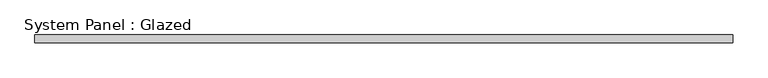
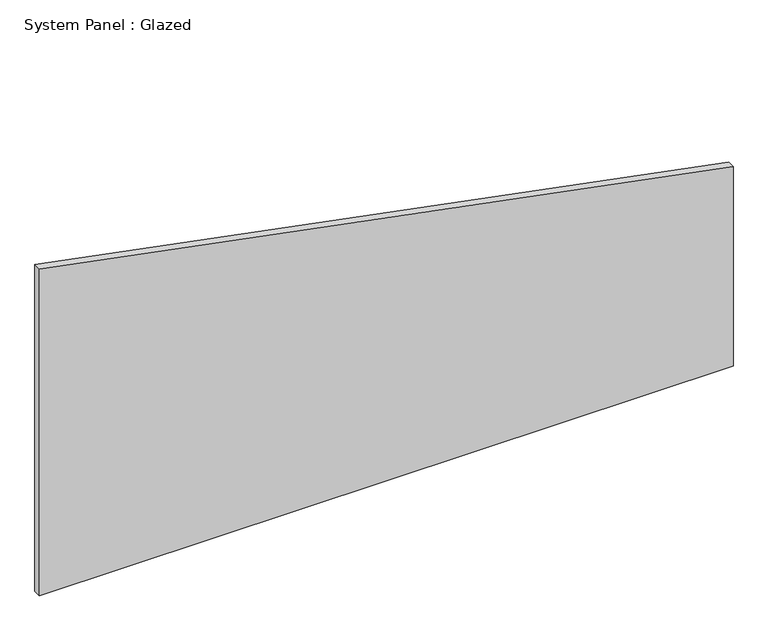
"""IFC4 building model written with IfcOpenShell, lengths in millimetres: plate geometry, System Panel : Glazed."""

from ifc_helpers import new_model, si_unit, frame, origin, place, context, project, spatial, polyline, outline, extrude, source, transform, mapped, element, save


def system_panel_glazed_ba801aed(model_context):
    return source(origin(), model_context, "Body", "SweptSolid", [
        extrude(outline(polyline([(0.0, -1141.6340625), (0.0, 1141.6340625), (694.2418215, 1141.6340625), (1138.0560022, -1141.6340625), (0.0, -1141.6340625)])), frame((0.0, 24.5, 0.0), z_axis=(0.0, 1.0, 0.0), x_axis=(0.0, 0.0, 1.0)), (0.0, 0.0, 1.0), 25.0),
    ])


if __name__ == "__main__":
    model = new_model("IFC4")
    model_context = context("Model", 3, world=origin())
    ifc_project = project(units=[si_unit("LENGTHUNIT", "METRE", prefix="MILLI")], contexts=[model_context])
    site = spatial("IfcSite", under=ifc_project)
    building = spatial("IfcBuilding", under=site)
    placement = place(None, origin())
    system_panel_glazed_shape = system_panel_glazed_ba801aed(model_context)
    element("IfcPlate", 1, ObjectType="System Panel : Glazed", at=placement, inside=building, context=model_context, shape_type="MappedRepresentation", body=[
        mapped(system_panel_glazed_shape, transform((0.0, 0.0, 0.0), x_axis=(1.0, 0.0, 0.0), y_axis=(0.0, 1.0, 0.0), z_axis=(0.0, 0.0, 1.0))),
    ])
    save(model, "model.ifc")
